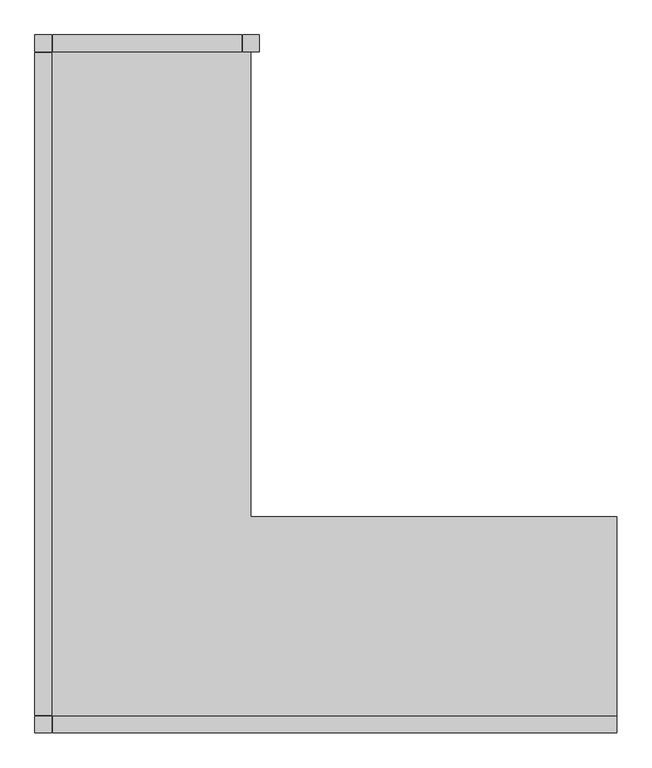
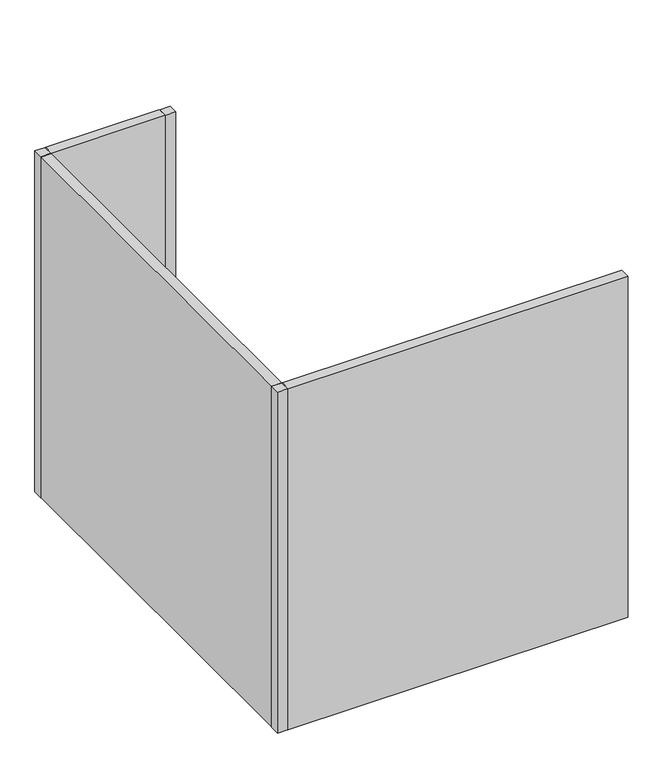
"""IFC4 building model written with IfcOpenShell, lengths in millimetres: furniture geometry."""

from ifc_helpers import new_model, si_unit, frame, origin, origin_with_axes, place, context, project, spatial, polyline, outline, extrude, source, transform, mapped, element, save


def furniture_31ae1271(model_context):
    return source(origin(), model_context, "Body", "SweptSolid", [
        extrude(outline(polyline([(-1778.0, 50.8), (-1778.0, 0.0), (-1828.8, 0.0), (-1828.8, 50.8), (-1778.0, 50.8)])), origin_with_axes(), (0.0, 0.0, 1.0), 1828.8),
        extrude(outline(polyline([(-1778.0, 2133.6), (-1778.0, 2082.8), (-1828.8, 2082.8), (-1828.8, 2133.6), (-1778.0, 2133.6)])), origin_with_axes(), (0.0, 0.0, 1.0), 1828.8),
        extrude(outline(polyline([(-1143.0, 2133.6), (-1143.0, 2082.8), (-1193.8, 2082.8), (-1193.8, 2133.6), (-1143.0, 2133.6)])), origin_with_axes(), (0.0, 0.0, 1.0), 1828.8),
        extrude(outline(polyline([(-1168.4, 2082.8), (-1168.4, 660.4), (-50.8, 660.4), (-50.8, 50.8), (-1778.0, 50.8), (-1778.0, 2082.8), (-1168.4, 2082.8)])), frame((0.0, 0.0, 711.2), z_axis=(0.0, 0.0, 1.0), x_axis=(1.0, 0.0, 0.0)), (0.0, 0.0, 1.0), 50.8),
        extrude(outline(polyline([(-1196.975, 2133.6), (-1196.975, 2082.8), (-1774.825, 2082.8), (-1774.825, 2133.6), (-1196.975, 2133.6)])), origin_with_axes(), (0.0, 0.0, 1.0), 1828.8),
        extrude(outline(polyline([(-1828.8, 2079.625), (-1778.0, 2079.625), (-1778.0, 53.975), (-1828.8, 53.975), (-1828.8, 2079.625)])), origin_with_axes(), (0.0, 0.0, 1.0), 1828.8),
        extrude(outline(polyline([(-1774.825, 0.0), (-1774.825, 50.8), (-50.8, 50.8), (-50.8, 0.0), (-1774.825, 0.0)])), origin_with_axes(), (0.0, 0.0, 1.0), 1828.8),
    ])


if __name__ == "__main__":
    model = new_model("IFC4")
    model_context = context("Model", 3, world=origin())
    ifc_project = project(units=[si_unit("LENGTHUNIT", "METRE", prefix="MILLI")], contexts=[model_context])
    site = spatial("IfcSite", under=ifc_project)
    building = spatial("IfcBuilding", under=site)
    placement = place(None, origin())
    furniture_shape = furniture_31ae1271(model_context)
    element("IfcFurniture", 1, at=placement, inside=building, context=model_context, shape_type="MappedRepresentation", body=[
        mapped(furniture_shape, transform((0.0, 0.0, 0.0), x_axis=(1.0, 0.0, 0.0), y_axis=(0.0, 1.0, 0.0), z_axis=(0.0, 0.0, 1.0))),
    ])
    save(model, "model.ifc")
